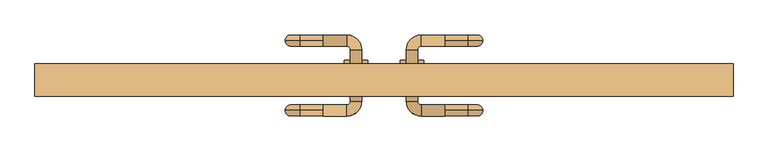
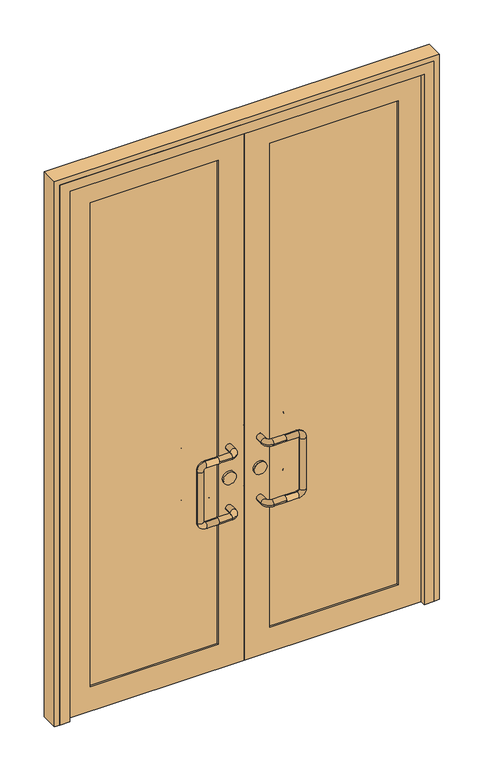
"""IFC4 building model written with IfcOpenShell, lengths in millimetres: door geometry."""

import ifcopenshell
import ifcopenshell.guid

model = None  # the IFC model being written
_history = None  # IfcOwnerHistory: only IFC2X3 demands one
_inside = {}  # id of a spatial element -> (the spatial element, [elements in it])
_under = {}  # id of a project, library or spatial element -> (it, [spatial elements below it])
_declared = {}  # id of a project -> (the project, [libraries it declares])
_typed = {}  # id of a type object -> (the type object, [elements of that type])
_made_of = {}  # id of a material, layer set ... -> (it, [elements and type objects made of it])


def new_model(schema):
    """Start an empty IFC model of exactly this schema.

    Asked for "IFC4X3", IfcOpenShell would pick the latest addendum, in which some entities
    have other attributes; the version numbers below select the first issue.
    IFC2X3 requires an IfcOwnerHistory on every rooted entity: one is made here for all.
    """
    global model, _history
    if schema == "IFC4X3":
        model = ifcopenshell.file(schema_version=(4, 3, 0, 0))
    else:
        model = ifcopenshell.file(schema=schema)
    _inside.clear()
    _under.clear()
    _declared.clear()
    _typed.clear()
    _made_of.clear()
    _history = None
    if model.schema == "IFC2X3":
        org = make("IfcOrganization", Name="unknown")
        user = make(
            "IfcPersonAndOrganization",
            ThePerson=make("IfcPerson", FamilyName="unknown"),
            TheOrganization=org,
        )
        app = make(
            "IfcApplication",
            ApplicationDeveloper=org,
            Version="unknown",
            ApplicationFullName="unknown",
            ApplicationIdentifier="unknown",
        )
        _history = make(
            "IfcOwnerHistory",
            OwningUser=user,
            OwningApplication=app,
            ChangeAction="ADDED",
            CreationDate=0,
        )
    return model


def make(cls, **values):
    """One entity of the class cls with the attributes given. An attribute that is None is left unset."""
    return model.create_entity(
        cls, **{name: value for name, value in values.items() if value is not None}
    )


def rooted(cls, **values):
    """An entity with a GlobalId (a new one), such as an element, a storey or a relation."""
    return make(cls, GlobalId=ifcopenshell.guid.new(), OwnerHistory=_history, **values)


def si_unit(unit_type, name, prefix=None):
    """IfcSIUnit, for example si_unit("LENGTHUNIT", "METRE", prefix="MILLI")."""
    return make("IfcSIUnit", UnitType=unit_type, Prefix=prefix, Name=name)


def assignment(units):
    """IfcUnitAssignment: the units of a project."""
    return None if units is None else make("IfcUnitAssignment", Units=units)


def point(xyz):
    """IfcCartesianPoint."""
    return None if xyz is None else make("IfcCartesianPoint", Coordinates=xyz)


def direction(xyz):
    """IfcDirection."""
    return None if xyz is None else make("IfcDirection", DirectionRatios=xyz)


def frame(location, z_axis=None, x_axis=None):
    """IfcAxis2Placement3D, a coordinate frame: its origin and axes. An axis left out is left unset."""
    return make(
        "IfcAxis2Placement3D",
        Location=point(location),
        Axis=direction(z_axis),
        RefDirection=direction(x_axis),
    )


def frame_2d(location, x_axis=None):
    """IfcAxis2Placement2D, a coordinate frame in the plane: its origin and x axis."""
    return make(
        "IfcAxis2Placement2D", Location=point(location), RefDirection=direction(x_axis)
    )


def origin():
    """The frame at (0, 0, 0) with its axes left unset."""
    return frame((0.0, 0.0, 0.0))


def place(relative_to, where):
    """IfcLocalPlacement: puts the frame where relative to a parent placement (None: the world)."""
    return make(
        "IfcLocalPlacement", PlacementRelTo=relative_to, RelativePlacement=where
    )


def context(
    kind, dimensions, precision=None, world=None, true_north=None, identifier=None
):
    """IfcGeometricRepresentationContext, for example the 3D "Model" context."""
    return make(
        "IfcGeometricRepresentationContext",
        ContextIdentifier=identifier,
        ContextType=kind,
        CoordinateSpaceDimension=dimensions,
        Precision=precision,
        WorldCoordinateSystem=world,
        TrueNorth=true_north,
    )


def project(units=None, contexts=None):
    """IfcProject with its units and contexts."""
    return rooted(
        "IfcProject",
        Name="project",
        RepresentationContexts=contexts,
        UnitsInContext=assignment(units),
    )


def spatial(cls, under=None, at=None, **own):
    """A site, building, storey or space (cls), placed at a placement, below another one or the project."""
    s = rooted(cls, ObjectPlacement=at, **own)
    if under is not None:
        _under.setdefault(under.id(), (under, []))[1].append(s)
    return s


def polyline(points):
    """IfcPolyline through the points."""
    return make("IfcPolyline", Points=[point(p) for p in points])


def circle_curve(where, radius):
    """IfcCircle in the frame where."""
    return make("IfcCircle", Position=where, Radius=radius)


def ellipse_curve(where, semi_axis1, semi_axis2):
    """IfcEllipse in the frame where."""
    return make(
        "IfcEllipse", Position=where, SemiAxis1=semi_axis1, SemiAxis2=semi_axis2
    )


def trimmed(basis, trim1, trim2, sense, master):
    """IfcTrimmedCurve: the piece of a basis curve between two trims."""
    return make(
        "IfcTrimmedCurve",
        BasisCurve=basis,
        Trim1=trim1,
        Trim2=trim2,
        SenseAgreement=sense,
        MasterRepresentation=master,
    )


def segment(curve, same_sense, transition):
    """IfcCompositeCurveSegment."""
    return make(
        "IfcCompositeCurveSegment",
        Transition=transition,
        SameSense=same_sense,
        ParentCurve=curve,
    )


def composite_curve(segments, self_intersect=None):
    """IfcCompositeCurve: segments joined end to end."""
    return make("IfcCompositeCurve", Segments=segments, SelfIntersect=self_intersect)


def outline(outer, holes=None, kind="AREA"):
    """IfcArbitraryClosedProfileDef: a profile drawn as a closed curve; with holes, ...WithVoids."""
    if holes is None:
        return make("IfcArbitraryClosedProfileDef", ProfileType=kind, OuterCurve=outer)
    return make(
        "IfcArbitraryProfileDefWithVoids",
        ProfileType=kind,
        OuterCurve=outer,
        InnerCurves=holes,
    )


def extrude(swept, where, along, depth):
    """IfcExtrudedAreaSolid: the profile swept, set in the frame where, extruded along a direction by depth."""
    return make(
        "IfcExtrudedAreaSolid",
        SweptArea=swept,
        Position=where,
        ExtrudedDirection=direction(along),
        Depth=depth,
    )


def faces_of(points, faces, orient=None, outer=None):
    """IfcFace entities. A face is a list of loops; a loop is a list of indices into points, from 0.

    orient and outer hold one flag for each loop. By default every Orientation is true, the
    first loop of a face is its IfcFaceOuterBound and the others are IfcFaceBound.
    """
    made = []
    for i, loops in enumerate(faces):
        bounds = []
        for j, loop in enumerate(loops):
            is_outer = j == 0 if outer is None else outer[i][j]
            bounds.append(
                make(
                    "IfcFaceOuterBound" if is_outer else "IfcFaceBound",
                    Bound=make("IfcPolyLoop", Polygon=[points[k] for k in loop]),
                    Orientation=True if orient is None else orient[i][j],
                )
            )
        made.append(make("IfcFace", Bounds=bounds))
    return made


def faceted_brep(points, faces, orient=None, outer=None, voids=None):
    """IfcFacetedBrep: a solid bounded by flat faces; with voids (closed shells), ...WithVoids."""
    shared = [point(p) for p in points]
    hull = make("IfcClosedShell", CfsFaces=faces_of(shared, faces, orient, outer))
    if voids is None:
        return make("IfcFacetedBrep", Outer=hull)
    return make(
        "IfcFacetedBrepWithVoids",
        Outer=hull,
        Voids=[
            make(cls, CfsFaces=faces_of(shared, fs, o, b)) for cls, fs, o, b in voids
        ],
    )


def shape(context_of_items, identifier, shape_type, items):
    """IfcShapeRepresentation: the items that make up one representation, for example the "Body"."""
    return make(
        "IfcShapeRepresentation",
        ContextOfItems=context_of_items,
        RepresentationIdentifier=identifier,
        RepresentationType=shape_type,
        Items=items,
    )


def source(mapping_origin, context_of_items, identifier, shape_type, items):
    """IfcRepresentationMap: a shape defined once, which mapped items show again and again."""
    return make(
        "IfcRepresentationMap",
        MappingOrigin=mapping_origin,
        MappedRepresentation=shape(context_of_items, identifier, shape_type, items),
    )


def transform(
    local_origin,
    x_axis=None,
    y_axis=None,
    z_axis=None,
    scale=None,
    scale2=None,
    scale3=None,
    uniform=True,
):
    """IfcCartesianTransformationOperator3D, or its non-uniform kind. x_axis, y_axis, z_axis: its Axis1, 2, 3."""
    if uniform:
        return make(
            "IfcCartesianTransformationOperator3D",
            Axis1=direction(x_axis),
            Axis2=direction(y_axis),
            LocalOrigin=point(local_origin),
            Scale=scale,
            Axis3=direction(z_axis),
        )
    return make(
        "IfcCartesianTransformationOperator3DnonUniform",
        Axis1=direction(x_axis),
        Axis2=direction(y_axis),
        LocalOrigin=point(local_origin),
        Scale=scale,
        Axis3=direction(z_axis),
        Scale2=scale2,
        Scale3=scale3,
    )


def mapped(mapping_source, mapping_target):
    """IfcMappedItem: shows the shape of a source again, moved by a transform."""
    return make(
        "IfcMappedItem", MappingSource=mapping_source, MappingTarget=mapping_target
    )


def made_of(thing, what):
    """Note that an element or type object is made of a material, layer set ...; save() writes the relation."""
    if what is not None:
        _made_of.setdefault(what.id(), (what, []))[1].append(thing)
    return thing


def element(
    cls,
    number,
    at=None,
    inside=None,
    cuts=None,
    type_object=None,
    material=None,
    context=None,
    identifier="Body",
    shape_type=None,
    held_by="IfcProductDefinitionShape",
    body=None,
    shapes=None,
    **own,
):
    """One element of the class cls, such as IfcWall. Its Tag is "e" and its number.

    at: its placement. inside: the storey or other place that contains it. cuts: it is an
    opening in that element (IfcRelVoidsElement). A single representation is given by context,
    identifier, shape_type and body (its items); several are given by shapes. held_by: the class
    of the entity that holds the representations. save() writes the other relations.
    """
    e = rooted(cls, Tag="e%d" % number, ObjectPlacement=at, **own)
    if body is not None:
        shapes = [shape(context, identifier, shape_type, body)]
    if shapes is not None:
        e.Representation = make(held_by, Representations=shapes)
    if inside is not None:
        _inside.setdefault(inside.id(), (inside, []))[1].append(e)
    if cuts is not None:
        rooted(
            "IfcRelVoidsElement", RelatingBuildingElement=cuts, RelatedOpeningElement=e
        )
    if type_object is not None:
        _typed.setdefault(type_object.id(), (type_object, []))[1].append(e)
    return made_of(e, material)


def aggregate(whole, parts):
    """IfcRelAggregates: a whole, such as a stair, and the parts it consists of."""
    return rooted("IfcRelAggregates", RelatingObject=whole, RelatedObjects=parts)


def save(model, path):
    """Write the relations noted so far, then the file.

    IfcRelAggregates (storeys below a building ...), IfcRelContainedInSpatialStructure (elements
    in a storey), IfcRelDefinesByType, IfcRelAssociatesMaterial and IfcRelDeclares: one each for
    every whole, place, type object, material and project.
    """
    for whole, parts in _under.values():
        aggregate(whole, parts)
    for where, things in _inside.values():
        rooted(
            "IfcRelContainedInSpatialStructure",
            RelatedElements=things,
            RelatingStructure=where,
        )
    for kind, things in _typed.values():
        rooted("IfcRelDefinesByType", RelatedObjects=things, RelatingType=kind)
    for what, things in _made_of.values():
        rooted("IfcRelAssociatesMaterial", RelatedObjects=things, RelatingMaterial=what)
    for by, libraries in _declared.values():
        rooted("IfcRelDeclares", RelatingContext=by, RelatedDefinitions=libraries)
    model.write(path)


def cylinder_surface(at, radius):
    """IfcCylindricalSurface: all points at the distance radius from the z axis of the frame at."""
    return make("IfcCylindricalSurface", Position=at, Radius=radius)


def revolved_surface(curve, axis_point, axis_direction):
    """IfcSurfaceOfRevolution: the curve turned about the line through axis_point along axis_direction."""
    return make(
        "IfcSurfaceOfRevolution",
        SweptCurve=make("IfcArbitraryOpenProfileDef", ProfileType="CURVE", Curve=curve),
        AxisPosition=make("IfcAxis1Placement", Location=point(axis_point), Axis=direction(axis_direction)),
    )


def advanced_brep(points, edges, surfaces, faces):
    """IfcAdvancedBrep: a solid bounded by faces that lie on surfaces and meet in shared edges.

    An edge is (start, end): straight between two places in points (the first is 0);
    or (start, end, curve); or (start, end, curve, False) where it runs against its curve.
    A face is (place in surfaces, loops), or (place, loops, False) where it looks against
    its surface's normal. A loop lists edges by number (the first is 1), with a minus sign
    where the edge is run from its end to its start. The first loop is the outer one.
    """
    corners = [point(p) for p in points]
    vertices = [make("IfcVertexPoint", VertexGeometry=c) for c in corners]
    made = []
    for start, end, *more in edges:
        made.append(
            make(
                "IfcEdgeCurve",
                EdgeStart=vertices[start],
                EdgeEnd=vertices[end],
                EdgeGeometry=more[0] if more else make("IfcPolyline", Points=[corners[start], corners[end]]),
                SameSense=more[1] if len(more) > 1 else True,
            )
        )
    hull = []
    for where, loops, *sense in faces:
        bounds = []
        for j, loop in enumerate(loops):
            ring = [make("IfcOrientedEdge", EdgeElement=made[abs(k) - 1], Orientation=k > 0) for k in loop]
            bounds.append(
                make(
                    "IfcFaceOuterBound" if j == 0 else "IfcFaceBound",
                    Bound=make("IfcEdgeLoop", EdgeList=ring),
                    Orientation=True,
                )
            )
        hull.append(make("IfcAdvancedFace", Bounds=bounds, FaceSurface=surfaces[where], SameSense=sense[0] if sense else True))
    return make("IfcAdvancedBrep", Outer=make("IfcClosedShell", CfsFaces=hull))


def door_2ea4ab71(model_context):
    return source(origin(), model_context, "Body", "SolidModel", [
        advanced_brep(
        [(-130.0, 152.0, 900.0), (-130.0, 140.0, 912.0), (-130.0, 128.0, 900.0), (-80.0, 128.0, 900.0), (-80.0, 152.0, 900.0), (-130.0, 140.0, 888.0), (-72.0, 120.0, 900.0), (-48.0, 120.0, 900.0), (-72.0, 10.0, 900.0), (-48.0, 10.0, 900.0), (-80.0, 2.0, 900.0), (-80.0, -22.0, 900.0), (-130.0, 2.0, 900.0), (-130.0, -10.0, 912.0), (-130.0, -22.0, 900.0), (-130.0, -10.0, 888.0), (-180.0, 140.0, 912.0), (-180.0, 140.0, 888.0), (-212.0, 140.0, 880.0), (-188.0, 140.0, 880.0), (-212.0, 140.0, 670.0), (-188.0, 140.0, 670.0), (-180.0, 140.0, 638.0), (-180.0, 140.0, 662.0), (-130.0, 140.0, 638.0), (-130.0, 128.0, 650.0), (-130.0, 140.0, 662.0), (-130.0, 152.0, 650.0), (-80.0, 128.0, 650.0), (-80.0, 152.0, 650.0), (-72.0, 120.0, 650.0), (-48.0, 120.0, 650.0), (-72.0, 10.0, 650.0), (-48.0, 10.0, 650.0), (-80.0, 2.0, 650.0), (-80.0, -22.0, 650.0), (-130.0, 2.0, 650.0), (-130.0, -10.0, 662.0), (-130.0, -22.0, 650.0), (-130.0, -10.0, 638.0), (-180.0, -10.0, 912.0), (-180.0, -10.0, 888.0), (-212.0, -10.0, 880.0), (-188.0, -10.0, 880.0), (-212.0, -10.0, 670.0), (-188.0, -10.0, 670.0), (-180.0, -10.0, 638.0), (-180.0, -10.0, 662.0)],
        [
            (0, 1, circle_curve(frame((-130.0, 140.0, 900.0), z_axis=(1.0, 0.0, 0.0), x_axis=(0.0, -1.0, 0.0)), 12.0)),
            (1, 2, circle_curve(frame((-130.0, 140.0, 900.0), z_axis=(1.0, 0.0, 0.0), x_axis=(0.0, -1.0, 0.0)), 12.0)),
            (2, 3),
            (3, 4, circle_curve(frame((-80.0, 140.0, 900.0), z_axis=(-1.0, 0.0, 0.0), x_axis=(0.0, -1.0, 0.0)), 12.0)),
            (4, 0),
            (4, 3, circle_curve(frame((-80.0, 140.0, 900.0), z_axis=(-1.0, 0.0, 0.0), x_axis=(0.0, -1.0, 0.0)), 12.0)),
            (2, 5, circle_curve(frame((-130.0, 140.0, 900.0), z_axis=(1.0, 0.0, 0.0), x_axis=(0.0, -1.0, 0.0)), 12.0)),
            (5, 0, circle_curve(frame((-130.0, 140.0, 900.0), z_axis=(1.0, 0.0, 0.0), x_axis=(0.0, -1.0, 0.0)), 12.0)),
            (3, 6, circle_curve(frame((-80.0, 120.0, 900.0), z_axis=(0.0, 0.0, -1.0), x_axis=(0.0, 1.0, 0.0)), 8.0)),
            (6, 7, circle_curve(frame((-60.0, 120.0, 900.0), z_axis=(0.0, 1.0, 0.0), x_axis=(-1.0, 0.0, 0.0)), 12.0)),
            (7, 4, circle_curve(frame((-80.0, 120.0, 900.0), z_axis=(0.0, 0.0, 1.0), x_axis=(0.0, 1.0, 0.0)), 32.0)),
            (7, 6, circle_curve(frame((-60.0, 120.0, 900.0), z_axis=(0.0, 1.0, 0.0), x_axis=(-1.0, 0.0, 0.0)), 12.0)),
            (6, 8),
            (8, 9, circle_curve(frame((-60.0, 10.0, 900.0), z_axis=(0.0, 1.0, 0.0), x_axis=(-1.0, 0.0, 0.0)), 12.0)),
            (9, 7),
            (9, 8, circle_curve(frame((-60.0, 10.0, 900.0), z_axis=(0.0, 1.0, 0.0), x_axis=(-1.0, 0.0, 0.0)), 12.0)),
            (8, 10, circle_curve(frame((-80.0, 10.0, 900.0), z_axis=(0.0, 0.0, -1.0), x_axis=(1.0, 0.0, 0.0)), 8.0)),
            (10, 11, circle_curve(frame((-80.0, -10.0, 900.0), z_axis=(1.0, 0.0, 0.0), x_axis=(0.0, 1.0, 0.0)), 12.0)),
            (11, 9, circle_curve(frame((-80.0, 10.0, 900.0), z_axis=(0.0, 0.0, 1.0), x_axis=(1.0, 0.0, 0.0)), 32.0)),
            (11, 10, circle_curve(frame((-80.0, -10.0, 900.0), z_axis=(1.0, 0.0, 0.0), x_axis=(0.0, 1.0, 0.0)), 12.0)),
            (10, 12),
            (12, 13, circle_curve(frame((-130.0, -10.0, 900.0), z_axis=(1.0, 0.0, 0.0), x_axis=(0.0, 1.0, 0.0)), 12.0)),
            (13, 14, circle_curve(frame((-130.0, -10.0, 900.0), z_axis=(1.0, 0.0, 0.0), x_axis=(0.0, 1.0, 0.0)), 12.0)),
            (14, 11),
            (14, 15, circle_curve(frame((-130.0, -10.0, 900.0), z_axis=(1.0, 0.0, 0.0), x_axis=(0.0, 1.0, 0.0)), 12.0)),
            (15, 12, circle_curve(frame((-130.0, -10.0, 900.0), z_axis=(1.0, 0.0, 0.0), x_axis=(0.0, 1.0, 0.0)), 12.0)),
            (1, 16),
            (16, 17, circle_curve(frame((-180.0, 140.0, 900.0), z_axis=(1.0, 0.0, 0.0), x_axis=(0.0, 0.0, 1.0)), 12.0)),
            (17, 5),
            (17, 16, circle_curve(frame((-180.0, 140.0, 900.0), z_axis=(1.0, 0.0, 0.0), x_axis=(0.0, 0.0, 1.0)), 12.0)),
            (16, 18, circle_curve(frame((-180.0, 140.0, 880.0), z_axis=(0.0, -1.0, 0.0), x_axis=(0.0, 0.0, 1.0)), 32.0)),
            (18, 19, circle_curve(frame((-200.0, 140.0, 880.0), z_axis=(0.0, 0.0, 1.0), x_axis=(-1.0, 0.0, 0.0)), 12.0)),
            (19, 17, circle_curve(frame((-180.0, 140.0, 880.0), z_axis=(0.0, 1.0, 0.0), x_axis=(0.0, 0.0, 1.0)), 8.0)),
            (19, 18, circle_curve(frame((-200.0, 140.0, 880.0), z_axis=(0.0, 0.0, 1.0), x_axis=(-1.0, 0.0, 0.0)), 12.0)),
            (18, 20),
            (20, 21, circle_curve(frame((-200.0, 140.0, 670.0), z_axis=(0.0, 0.0, 1.0), x_axis=(-1.0, 0.0, 0.0)), 12.0)),
            (21, 19),
            (21, 20, circle_curve(frame((-200.0, 140.0, 670.0), z_axis=(0.0, 0.0, 1.0), x_axis=(-1.0, 0.0, 0.0)), 12.0)),
            (20, 22, circle_curve(frame((-180.0, 140.0, 670.0), z_axis=(0.0, -1.0, 0.0), x_axis=(-1.0, 0.0, 0.0)), 32.0)),
            (22, 23, circle_curve(frame((-180.0, 140.0, 650.0), z_axis=(-1.0, 0.0, 0.0), x_axis=(0.0, 0.0, -1.0)), 12.0)),
            (23, 21, circle_curve(frame((-180.0, 140.0, 670.0), z_axis=(0.0, 1.0, 0.0), x_axis=(-1.0, 0.0, 0.0)), 8.0)),
            (23, 22, circle_curve(frame((-180.0, 140.0, 650.0), z_axis=(-1.0, 0.0, 0.0), x_axis=(0.0, 0.0, -1.0)), 12.0)),
            (22, 24),
            (24, 25, circle_curve(frame((-130.0, 140.0, 650.0), z_axis=(-1.0, 0.0, 0.0), x_axis=(0.0, 0.0, -1.0)), 12.0)),
            (25, 26, circle_curve(frame((-130.0, 140.0, 650.0), z_axis=(-1.0, 0.0, 0.0), x_axis=(0.0, 0.0, -1.0)), 12.0)),
            (26, 23),
            (26, 27, circle_curve(frame((-130.0, 140.0, 650.0), z_axis=(-1.0, 0.0, 0.0), x_axis=(0.0, 0.0, -1.0)), 12.0)),
            (27, 24, circle_curve(frame((-130.0, 140.0, 650.0), z_axis=(-1.0, 0.0, 0.0), x_axis=(0.0, 0.0, -1.0)), 12.0)),
            (25, 28),
            (28, 29, circle_curve(frame((-80.0, 140.0, 650.0), z_axis=(-1.0, 0.0, 0.0), x_axis=(0.0, -1.0, 0.0)), 12.0)),
            (29, 27),
            (29, 28, circle_curve(frame((-80.0, 140.0, 650.0), z_axis=(-1.0, 0.0, 0.0), x_axis=(0.0, -1.0, 0.0)), 12.0)),
            (28, 30, circle_curve(frame((-80.0, 120.0, 650.0), z_axis=(0.0, 0.0, -1.0), x_axis=(0.0, 1.0, 0.0)), 8.0)),
            (30, 31, circle_curve(frame((-60.0, 120.0, 650.0), z_axis=(0.0, 1.0, 0.0), x_axis=(-1.0, 0.0, 0.0)), 12.0)),
            (31, 29, circle_curve(frame((-80.0, 120.0, 650.0), z_axis=(0.0, 0.0, 1.0), x_axis=(0.0, 1.0, 0.0)), 32.0)),
            (31, 30, circle_curve(frame((-60.0, 120.0, 650.0), z_axis=(0.0, 1.0, 0.0), x_axis=(-1.0, 0.0, 0.0)), 12.0)),
            (30, 32),
            (32, 33, circle_curve(frame((-60.0, 10.0, 650.0), z_axis=(0.0, 1.0, 0.0), x_axis=(-1.0, 0.0, 0.0)), 12.0)),
            (33, 31),
            (33, 32, circle_curve(frame((-60.0, 10.0, 650.0), z_axis=(0.0, 1.0, 0.0), x_axis=(-1.0, 0.0, 0.0)), 12.0)),
            (32, 34, circle_curve(frame((-80.0, 10.0, 650.0), z_axis=(0.0, 0.0, -1.0), x_axis=(1.0, 0.0, 0.0)), 8.0)),
            (34, 35, circle_curve(frame((-80.0, -10.0, 650.0), z_axis=(1.0, 0.0, 0.0), x_axis=(0.0, 1.0, 0.0)), 12.0)),
            (35, 33, circle_curve(frame((-80.0, 10.0, 650.0), z_axis=(0.0, 0.0, 1.0), x_axis=(1.0, 0.0, 0.0)), 32.0)),
            (35, 34, circle_curve(frame((-80.0, -10.0, 650.0), z_axis=(1.0, 0.0, 0.0), x_axis=(0.0, 1.0, 0.0)), 12.0)),
            (34, 36),
            (36, 37, circle_curve(frame((-130.0, -10.0, 650.0), z_axis=(1.0, 0.0, 0.0), x_axis=(0.0, 1.0, 0.0)), 12.0)),
            (37, 38, circle_curve(frame((-130.0, -10.0, 650.0), z_axis=(1.0, 0.0, 0.0), x_axis=(0.0, 1.0, 0.0)), 12.0)),
            (38, 35),
            (38, 39, circle_curve(frame((-130.0, -10.0, 650.0), z_axis=(1.0, 0.0, 0.0), x_axis=(0.0, 1.0, 0.0)), 12.0)),
            (39, 36, circle_curve(frame((-130.0, -10.0, 650.0), z_axis=(1.0, 0.0, 0.0), x_axis=(0.0, 1.0, 0.0)), 12.0)),
            (13, 40),
            (40, 41, circle_curve(frame((-180.0, -10.0, 900.0), z_axis=(1.0, 0.0, 0.0), x_axis=(0.0, 0.0, 1.0)), 12.0)),
            (41, 15),
            (41, 40, circle_curve(frame((-180.0, -10.0, 900.0), z_axis=(1.0, 0.0, 0.0), x_axis=(0.0, 0.0, 1.0)), 12.0)),
            (40, 42, circle_curve(frame((-180.0, -10.0, 880.0), z_axis=(0.0, -1.0, 0.0), x_axis=(0.0, 0.0, 1.0)), 32.0)),
            (42, 43, circle_curve(frame((-200.0, -10.0, 880.0), z_axis=(0.0, 0.0, 1.0), x_axis=(-1.0, 0.0, 0.0)), 12.0)),
            (43, 41, circle_curve(frame((-180.0, -10.0, 880.0), z_axis=(0.0, 1.0, 0.0), x_axis=(0.0, 0.0, 1.0)), 8.0)),
            (43, 42, circle_curve(frame((-200.0, -10.0, 880.0), z_axis=(0.0, 0.0, 1.0), x_axis=(-1.0, 0.0, 0.0)), 12.0)),
            (42, 44),
            (44, 45, circle_curve(frame((-200.0, -10.0, 670.0), z_axis=(0.0, 0.0, 1.0), x_axis=(-1.0, 0.0, 0.0)), 12.0)),
            (45, 43),
            (45, 44, circle_curve(frame((-200.0, -10.0, 670.0), z_axis=(0.0, 0.0, 1.0), x_axis=(-1.0, 0.0, 0.0)), 12.0)),
            (44, 46, circle_curve(frame((-180.0, -10.0, 670.0), z_axis=(0.0, -1.0, 0.0), x_axis=(-1.0, 0.0, 0.0)), 32.0)),
            (46, 47, circle_curve(frame((-180.0, -10.0, 650.0), z_axis=(-1.0, 0.0, 0.0), x_axis=(0.0, 0.0, -1.0)), 12.0)),
            (47, 45, circle_curve(frame((-180.0, -10.0, 670.0), z_axis=(0.0, 1.0, 0.0), x_axis=(-1.0, 0.0, 0.0)), 8.0)),
            (47, 46, circle_curve(frame((-180.0, -10.0, 650.0), z_axis=(-1.0, 0.0, 0.0), x_axis=(0.0, 0.0, -1.0)), 12.0)),
            (46, 39),
            (37, 47),
        ],
        [
            cylinder_surface(frame((-130.0, 140.0, 900.0), z_axis=(-1.0, 0.0, 0.0), x_axis=(0.0, -1.0, 0.0)), 12.0),
            revolved_surface(trimmed(ellipse_curve(frame((-80.0, 140.0, 900.0), z_axis=(1.0, 0.0, 0.0), x_axis=(0.0, -1.0, 0.0)), 12.0, 12.0), [point((-80.0, 152.0, 900.0))], [point((-80.0, 128.0, 900.0))], True, "CARTESIAN"), (-80.0, 120.0, 900.0), (0.0, 0.0, 1.0)),
            revolved_surface(trimmed(ellipse_curve(frame((-80.0, 140.0, 900.0), z_axis=(1.0, 0.0, 0.0), x_axis=(0.0, -1.0, 0.0)), 12.0, 12.0), [point((-80.0, 128.0, 900.0))], [point((-80.0, 152.0, 900.0))], True, "CARTESIAN"), (-80.0, 120.0, 900.0), (0.0, 0.0, 1.0)),
            cylinder_surface(frame((-60.0, 120.0, 900.0), z_axis=(0.0, 1.0, 0.0), x_axis=(-1.0, 0.0, 0.0)), 12.0),
            revolved_surface(trimmed(ellipse_curve(frame((-60.0, 10.0, 900.0), z_axis=(0.0, -1.0, 0.0), x_axis=(-1.0, 0.0, 0.0)), 12.0, 12.0), [point((-48.0, 10.0, 900.0))], [point((-72.0, 10.0, 900.0))], True, "CARTESIAN"), (-80.0, 10.0, 900.0), (0.0, 0.0, 1.0)),
            revolved_surface(trimmed(ellipse_curve(frame((-60.0, 10.0, 900.0), z_axis=(0.0, -1.0, 0.0), x_axis=(-1.0, 0.0, 0.0)), 12.0, 12.0), [point((-72.0, 10.0, 900.0))], [point((-48.0, 10.0, 900.0))], True, "CARTESIAN"), (-80.0, 10.0, 900.0), (0.0, 0.0, 1.0)),
            cylinder_surface(frame((-80.0, -10.0, 900.0), z_axis=(1.0, 0.0, 0.0), x_axis=(0.0, 1.0, 0.0)), 12.0),
            cylinder_surface(frame((-130.0, 140.0, 900.0), z_axis=(1.0, 0.0, 0.0), x_axis=(0.0, 0.0, 1.0)), 12.0),
            revolved_surface(trimmed(ellipse_curve(frame((-180.0, 140.0, 900.0), z_axis=(-1.0, 0.0, 0.0), x_axis=(0.0, 0.0, 1.0)), 12.0, 12.0), [point((-180.0, 140.0, 888.0))], [point((-180.0, 140.0, 912.0))], True, "CARTESIAN"), (-180.0, 140.0, 880.0), (0.0, 1.0, 0.0)),
            revolved_surface(trimmed(ellipse_curve(frame((-180.0, 140.0, 900.0), z_axis=(-1.0, 0.0, 0.0), x_axis=(0.0, 0.0, 1.0)), 12.0, 12.0), [point((-180.0, 140.0, 912.0))], [point((-180.0, 140.0, 888.0))], True, "CARTESIAN"), (-180.0, 140.0, 880.0), (0.0, 1.0, 0.0)),
            cylinder_surface(frame((-200.0, 140.0, 880.0), z_axis=(0.0, 0.0, 1.0), x_axis=(-1.0, 0.0, 0.0)), 12.0),
            revolved_surface(trimmed(ellipse_curve(frame((-200.0, 140.0, 670.0), z_axis=(0.0, 0.0, -1.0), x_axis=(-1.0, 0.0, 0.0)), 12.0, 12.0), [point((-188.0, 140.0, 670.0))], [point((-212.0, 140.0, 670.0))], True, "CARTESIAN"), (-180.0, 140.0, 670.0), (0.0, 1.0, 0.0)),
            revolved_surface(trimmed(ellipse_curve(frame((-200.0, 140.0, 670.0), z_axis=(0.0, 0.0, -1.0), x_axis=(-1.0, 0.0, 0.0)), 12.0, 12.0), [point((-212.0, 140.0, 670.0))], [point((-188.0, 140.0, 670.0))], True, "CARTESIAN"), (-180.0, 140.0, 670.0), (0.0, 1.0, 0.0)),
            cylinder_surface(frame((-180.0, 140.0, 650.0), z_axis=(-1.0, 0.0, 0.0), x_axis=(0.0, 0.0, -1.0)), 12.0),
            cylinder_surface(frame((-130.0, 140.0, 650.0), z_axis=(-1.0, 0.0, 0.0), x_axis=(0.0, -1.0, 0.0)), 12.0),
            revolved_surface(trimmed(ellipse_curve(frame((-80.0, 140.0, 650.0), z_axis=(1.0, 0.0, 0.0), x_axis=(0.0, -1.0, 0.0)), 12.0, 12.0), [point((-80.0, 152.0, 650.0))], [point((-80.0, 128.0, 650.0))], True, "CARTESIAN"), (-80.0, 120.0, 650.0), (0.0, 0.0, 1.0)),
            revolved_surface(trimmed(ellipse_curve(frame((-80.0, 140.0, 650.0), z_axis=(1.0, 0.0, 0.0), x_axis=(0.0, -1.0, 0.0)), 12.0, 12.0), [point((-80.0, 128.0, 650.0))], [point((-80.0, 152.0, 650.0))], True, "CARTESIAN"), (-80.0, 120.0, 650.0), (0.0, 0.0, 1.0)),
            cylinder_surface(frame((-60.0, 120.0, 650.0), z_axis=(0.0, 1.0, 0.0), x_axis=(-1.0, 0.0, 0.0)), 12.0),
            revolved_surface(trimmed(ellipse_curve(frame((-60.0, 10.0, 650.0), z_axis=(0.0, -1.0, 0.0), x_axis=(-1.0, 0.0, 0.0)), 12.0, 12.0), [point((-48.0, 10.0, 650.0))], [point((-72.0, 10.0, 650.0))], True, "CARTESIAN"), (-80.0, 10.0, 650.0), (0.0, 0.0, 1.0)),
            revolved_surface(trimmed(ellipse_curve(frame((-60.0, 10.0, 650.0), z_axis=(0.0, -1.0, 0.0), x_axis=(-1.0, 0.0, 0.0)), 12.0, 12.0), [point((-72.0, 10.0, 650.0))], [point((-48.0, 10.0, 650.0))], True, "CARTESIAN"), (-80.0, 10.0, 650.0), (0.0, 0.0, 1.0)),
            cylinder_surface(frame((-80.0, -10.0, 650.0), z_axis=(1.0, 0.0, 0.0), x_axis=(0.0, 1.0, 0.0)), 12.0),
            cylinder_surface(frame((-130.0, -10.0, 900.0), z_axis=(1.0, 0.0, 0.0), x_axis=(0.0, 0.0, 1.0)), 12.0),
            revolved_surface(trimmed(ellipse_curve(frame((-180.0, -10.0, 900.0), z_axis=(-1.0, 0.0, 0.0), x_axis=(0.0, 0.0, 1.0)), 12.0, 12.0), [point((-180.0, -10.0, 888.0))], [point((-180.0, -10.0, 912.0))], True, "CARTESIAN"), (-180.0, -10.0, 880.0), (0.0, 1.0, 0.0)),
            revolved_surface(trimmed(ellipse_curve(frame((-180.0, -10.0, 900.0), z_axis=(-1.0, 0.0, 0.0), x_axis=(0.0, 0.0, 1.0)), 12.0, 12.0), [point((-180.0, -10.0, 912.0))], [point((-180.0, -10.0, 888.0))], True, "CARTESIAN"), (-180.0, -10.0, 880.0), (0.0, 1.0, 0.0)),
            cylinder_surface(frame((-200.0, -10.0, 880.0), z_axis=(0.0, 0.0, 1.0), x_axis=(-1.0, 0.0, 0.0)), 12.0),
            revolved_surface(trimmed(ellipse_curve(frame((-200.0, -10.0, 670.0), z_axis=(0.0, 0.0, -1.0), x_axis=(-1.0, 0.0, 0.0)), 12.0, 12.0), [point((-188.0, -10.0, 670.0))], [point((-212.0, -10.0, 670.0))], True, "CARTESIAN"), (-180.0, -10.0, 670.0), (0.0, 1.0, 0.0)),
            revolved_surface(trimmed(ellipse_curve(frame((-200.0, -10.0, 670.0), z_axis=(0.0, 0.0, -1.0), x_axis=(-1.0, 0.0, 0.0)), 12.0, 12.0), [point((-212.0, -10.0, 670.0))], [point((-188.0, -10.0, 670.0))], True, "CARTESIAN"), (-180.0, -10.0, 670.0), (0.0, 1.0, 0.0)),
            cylinder_surface(frame((-180.0, -10.0, 650.0), z_axis=(-1.0, 0.0, 0.0), x_axis=(0.0, 0.0, -1.0)), 12.0),
        ],
        [
            (0, [[1, 2, 3, 4, 5]]),
            (0, [[6, -3, 7, 8, -5]]),
            (1, [[9, 10, 11, -4]]),
            (2, [[-11, 12, -9, -6]]),
            (3, [[13, 14, 15, -10]]),
            (3, [[-15, 16, -13, -12]]),
            (4, [[17, 18, 19, -14]]),
            (5, [[-19, 20, -17, -16]]),
            (6, [[21, 22, 23, 24, -18]]),
            (6, [[-24, 25, 26, -21, -20]]),
            (7, [[-7, -2, 27, 28, 29]]),
            (7, [[30, -27, -1, -8, -29]]),
            (8, [[31, 32, 33, -28]]),
            (9, [[-33, 34, -31, -30]]),
            (10, [[35, 36, 37, -32]]),
            (10, [[-37, 38, -35, -34]]),
            (11, [[39, 40, 41, -36]]),
            (12, [[-41, 42, -39, -38]]),
            (13, [[43, 44, 45, 46, -40]]),
            (13, [[-46, 47, 48, -43, -42]]),
            (14, [[-47, -45, 49, 50, 51]]),
            (14, [[52, -49, -44, -48, -51]]),
            (15, [[53, 54, 55, -50]]),
            (16, [[-55, 56, -53, -52]]),
            (17, [[57, 58, 59, -54]]),
            (17, [[-59, 60, -57, -56]]),
            (18, [[61, 62, 63, -58]]),
            (19, [[-63, 64, -61, -60]]),
            (20, [[65, 66, 67, 68, -62]]),
            (20, [[-68, 69, 70, -65, -64]]),
            (21, [[-25, -23, 71, 72, 73]]),
            (21, [[74, -71, -22, -26, -73]]),
            (22, [[75, 76, 77, -72]]),
            (23, [[-77, 78, -75, -74]]),
            (24, [[79, 80, 81, -76]]),
            (24, [[-81, 82, -79, -78]]),
            (25, [[83, 84, 85, -80]]),
            (26, [[-85, 86, -83, -82]]),
            (27, [[87, -69, -67, 88, -84]]),
            (27, [[-88, -66, -70, -87, -86]]),
        ],
    ),
        extrude(outline(composite_curve([segment(trimmed(circle_curve(frame_2d((775.0, -60.0)), 25.0), [point((775.0, -35.0))], [point((775.0, -85.0))], False, "CARTESIAN"), True, "CONTINUOUS"), segment(trimmed(circle_curve(frame_2d((775.0, -60.0)), 25.0), [point((775.0, -85.0))], [point((775.0, -35.0))], False, "CARTESIAN"), True, "CONTINUOUS")], self_intersect=False)), frame((0.0, 32.0, 0.0), z_axis=(0.0, 1.0, 0.0), x_axis=(0.0, 0.0, 1.0)), (0.0, 0.0, 1.0), 66.0),
        advanced_brep(
        [(130.0, 152.0, 900.0), (80.0, 152.0, 900.0), (80.0, 128.0, 900.0), (130.0, 128.0, 900.0), (130.0, 140.0, 912.0), (130.0, 140.0, 888.0), (48.0, 120.0, 900.0), (72.0, 120.0, 900.0), (48.0, 10.0, 900.0), (72.0, 10.0, 900.0), (80.0, -22.0, 900.0), (80.0, 2.0, 900.0), (130.0, -22.0, 900.0), (130.0, -10.0, 912.0), (130.0, 2.0, 900.0), (130.0, -10.0, 888.0), (180.0, 140.0, 888.0), (180.0, 140.0, 912.0), (188.0, 140.0, 880.0), (212.0, 140.0, 880.0), (188.0, 140.0, 670.0), (212.0, 140.0, 670.0), (180.0, 140.0, 662.0), (180.0, 140.0, 638.0), (130.0, 140.0, 662.0), (130.0, 128.0, 650.0), (130.0, 140.0, 638.0), (130.0, 152.0, 650.0), (80.0, 152.0, 650.0), (80.0, 128.0, 650.0), (48.0, 120.0, 650.0), (72.0, 120.0, 650.0), (48.0, 10.0, 650.0), (72.0, 10.0, 650.0), (80.0, -22.0, 650.0), (80.0, 2.0, 650.0), (130.0, -22.0, 650.0), (130.0, -10.0, 662.0), (130.0, 2.0, 650.0), (130.0, -10.0, 638.0), (180.0, -10.0, 888.0), (180.0, -10.0, 912.0), (188.0, -10.0, 880.0), (212.0, -10.0, 880.0), (188.0, -10.0, 670.0), (212.0, -10.0, 670.0), (180.0, -10.0, 662.0), (180.0, -10.0, 638.0)],
        [
            (0, 1),
            (1, 2, circle_curve(frame((80.0, 140.0, 900.0), z_axis=(1.0, 0.0, 0.0), x_axis=(0.0, -1.0, 0.0)), 12.0)),
            (2, 3),
            (3, 4, circle_curve(frame((130.0, 140.0, 900.0), z_axis=(-1.0, 0.0, 0.0), x_axis=(0.0, -1.0, 0.0)), 12.0)),
            (4, 0, circle_curve(frame((130.0, 140.0, 900.0), z_axis=(-1.0, 0.0, 0.0), x_axis=(0.0, -1.0, 0.0)), 12.0)),
            (0, 5, circle_curve(frame((130.0, 140.0, 900.0), z_axis=(-1.0, 0.0, 0.0), x_axis=(0.0, -1.0, 0.0)), 12.0)),
            (5, 3, circle_curve(frame((130.0, 140.0, 900.0), z_axis=(-1.0, 0.0, 0.0), x_axis=(0.0, -1.0, 0.0)), 12.0)),
            (2, 1, circle_curve(frame((80.0, 140.0, 900.0), z_axis=(1.0, 0.0, 0.0), x_axis=(0.0, -1.0, 0.0)), 12.0)),
            (1, 6, circle_curve(frame((80.0, 120.0, 900.0), z_axis=(0.0, 0.0, 1.0), x_axis=(0.0, 1.0, 0.0)), 32.0)),
            (6, 7, circle_curve(frame((60.0, 120.0, 900.0), z_axis=(0.0, 1.0, 0.0), x_axis=(1.0, 0.0, 0.0)), 12.0)),
            (7, 2, circle_curve(frame((80.0, 120.0, 900.0), z_axis=(0.0, 0.0, -1.0), x_axis=(0.0, 1.0, 0.0)), 8.0)),
            (7, 6, circle_curve(frame((60.0, 120.0, 900.0), z_axis=(0.0, 1.0, 0.0), x_axis=(1.0, 0.0, 0.0)), 12.0)),
            (6, 8),
            (8, 9, circle_curve(frame((60.0, 10.0, 900.0), z_axis=(0.0, 1.0, 0.0), x_axis=(1.0, 0.0, 0.0)), 12.0)),
            (9, 7),
            (9, 8, circle_curve(frame((60.0, 10.0, 900.0), z_axis=(0.0, 1.0, 0.0), x_axis=(1.0, 0.0, 0.0)), 12.0)),
            (8, 10, circle_curve(frame((80.0, 10.0, 900.0), z_axis=(0.0, 0.0, 1.0), x_axis=(-1.0, 0.0, 0.0)), 32.0)),
            (10, 11, circle_curve(frame((80.0, -10.0, 900.0), z_axis=(-1.0, 0.0, 0.0), x_axis=(0.0, 1.0, 0.0)), 12.0)),
            (11, 9, circle_curve(frame((80.0, 10.0, 900.0), z_axis=(0.0, 0.0, -1.0), x_axis=(-1.0, 0.0, 0.0)), 8.0)),
            (11, 10, circle_curve(frame((80.0, -10.0, 900.0), z_axis=(-1.0, 0.0, 0.0), x_axis=(0.0, 1.0, 0.0)), 12.0)),
            (10, 12),
            (12, 13, circle_curve(frame((130.0, -10.0, 900.0), z_axis=(-1.0, 0.0, 0.0), x_axis=(0.0, 1.0, 0.0)), 12.0)),
            (13, 14, circle_curve(frame((130.0, -10.0, 900.0), z_axis=(-1.0, 0.0, 0.0), x_axis=(0.0, 1.0, 0.0)), 12.0)),
            (14, 11),
            (14, 15, circle_curve(frame((130.0, -10.0, 900.0), z_axis=(-1.0, 0.0, 0.0), x_axis=(0.0, 1.0, 0.0)), 12.0)),
            (15, 12, circle_curve(frame((130.0, -10.0, 900.0), z_axis=(-1.0, 0.0, 0.0), x_axis=(0.0, 1.0, 0.0)), 12.0)),
            (5, 16),
            (16, 17, circle_curve(frame((180.0, 140.0, 900.0), z_axis=(-1.0, 0.0, 0.0), x_axis=(0.0, 0.0, 1.0)), 12.0)),
            (17, 4),
            (17, 16, circle_curve(frame((180.0, 140.0, 900.0), z_axis=(-1.0, 0.0, 0.0), x_axis=(0.0, 0.0, 1.0)), 12.0)),
            (16, 18, circle_curve(frame((180.0, 140.0, 880.0), z_axis=(0.0, 1.0, 0.0), x_axis=(0.0, 0.0, 1.0)), 8.0)),
            (18, 19, circle_curve(frame((200.0, 140.0, 880.0), z_axis=(0.0, 0.0, 1.0), x_axis=(1.0, 0.0, 0.0)), 12.0)),
            (19, 17, circle_curve(frame((180.0, 140.0, 880.0), z_axis=(0.0, -1.0, 0.0), x_axis=(0.0, 0.0, 1.0)), 32.0)),
            (19, 18, circle_curve(frame((200.0, 140.0, 880.0), z_axis=(0.0, 0.0, 1.0), x_axis=(1.0, 0.0, 0.0)), 12.0)),
            (18, 20),
            (20, 21, circle_curve(frame((200.0, 140.0, 670.0), z_axis=(0.0, 0.0, 1.0), x_axis=(1.0, 0.0, 0.0)), 12.0)),
            (21, 19),
            (21, 20, circle_curve(frame((200.0, 140.0, 670.0), z_axis=(0.0, 0.0, 1.0), x_axis=(1.0, 0.0, 0.0)), 12.0)),
            (20, 22, circle_curve(frame((180.0, 140.0, 670.0), z_axis=(0.0, 1.0, 0.0), x_axis=(1.0, 0.0, 0.0)), 8.0)),
            (22, 23, circle_curve(frame((180.0, 140.0, 650.0), z_axis=(1.0, 0.0, 0.0), x_axis=(0.0, 0.0, -1.0)), 12.0)),
            (23, 21, circle_curve(frame((180.0, 140.0, 670.0), z_axis=(0.0, -1.0, 0.0), x_axis=(1.0, 0.0, 0.0)), 32.0)),
            (23, 22, circle_curve(frame((180.0, 140.0, 650.0), z_axis=(1.0, 0.0, 0.0), x_axis=(0.0, 0.0, -1.0)), 12.0)),
            (22, 24),
            (24, 25, circle_curve(frame((130.0, 140.0, 650.0), z_axis=(1.0, 0.0, 0.0), x_axis=(0.0, 0.0, -1.0)), 12.0)),
            (25, 26, circle_curve(frame((130.0, 140.0, 650.0), z_axis=(1.0, 0.0, 0.0), x_axis=(0.0, 0.0, -1.0)), 12.0)),
            (26, 23),
            (26, 27, circle_curve(frame((130.0, 140.0, 650.0), z_axis=(1.0, 0.0, 0.0), x_axis=(0.0, 0.0, -1.0)), 12.0)),
            (27, 24, circle_curve(frame((130.0, 140.0, 650.0), z_axis=(1.0, 0.0, 0.0), x_axis=(0.0, 0.0, -1.0)), 12.0)),
            (27, 28),
            (28, 29, circle_curve(frame((80.0, 140.0, 650.0), z_axis=(1.0, 0.0, 0.0), x_axis=(0.0, -1.0, 0.0)), 12.0)),
            (29, 25),
            (29, 28, circle_curve(frame((80.0, 140.0, 650.0), z_axis=(1.0, 0.0, 0.0), x_axis=(0.0, -1.0, 0.0)), 12.0)),
            (28, 30, circle_curve(frame((80.0, 120.0, 650.0), z_axis=(0.0, 0.0, 1.0), x_axis=(0.0, 1.0, 0.0)), 32.0)),
            (30, 31, circle_curve(frame((60.0, 120.0, 650.0), z_axis=(0.0, 1.0, 0.0), x_axis=(1.0, 0.0, 0.0)), 12.0)),
            (31, 29, circle_curve(frame((80.0, 120.0, 650.0), z_axis=(0.0, 0.0, -1.0), x_axis=(0.0, 1.0, 0.0)), 8.0)),
            (31, 30, circle_curve(frame((60.0, 120.0, 650.0), z_axis=(0.0, 1.0, 0.0), x_axis=(1.0, 0.0, 0.0)), 12.0)),
            (30, 32),
            (32, 33, circle_curve(frame((60.0, 10.0, 650.0), z_axis=(0.0, 1.0, 0.0), x_axis=(1.0, 0.0, 0.0)), 12.0)),
            (33, 31),
            (33, 32, circle_curve(frame((60.0, 10.0, 650.0), z_axis=(0.0, 1.0, 0.0), x_axis=(1.0, 0.0, 0.0)), 12.0)),
            (32, 34, circle_curve(frame((80.0, 10.0, 650.0), z_axis=(0.0, 0.0, 1.0), x_axis=(-1.0, 0.0, 0.0)), 32.0)),
            (34, 35, circle_curve(frame((80.0, -10.0, 650.0), z_axis=(-1.0, 0.0, 0.0), x_axis=(0.0, 1.0, 0.0)), 12.0)),
            (35, 33, circle_curve(frame((80.0, 10.0, 650.0), z_axis=(0.0, 0.0, -1.0), x_axis=(-1.0, 0.0, 0.0)), 8.0)),
            (35, 34, circle_curve(frame((80.0, -10.0, 650.0), z_axis=(-1.0, 0.0, 0.0), x_axis=(0.0, 1.0, 0.0)), 12.0)),
            (34, 36),
            (36, 37, circle_curve(frame((130.0, -10.0, 650.0), z_axis=(-1.0, 0.0, 0.0), x_axis=(0.0, 1.0, 0.0)), 12.0)),
            (37, 38, circle_curve(frame((130.0, -10.0, 650.0), z_axis=(-1.0, 0.0, 0.0), x_axis=(0.0, 1.0, 0.0)), 12.0)),
            (38, 35),
            (38, 39, circle_curve(frame((130.0, -10.0, 650.0), z_axis=(-1.0, 0.0, 0.0), x_axis=(0.0, 1.0, 0.0)), 12.0)),
            (39, 36, circle_curve(frame((130.0, -10.0, 650.0), z_axis=(-1.0, 0.0, 0.0), x_axis=(0.0, 1.0, 0.0)), 12.0)),
            (15, 40),
            (40, 41, circle_curve(frame((180.0, -10.0, 900.0), z_axis=(-1.0, 0.0, 0.0), x_axis=(0.0, 0.0, 1.0)), 12.0)),
            (41, 13),
            (41, 40, circle_curve(frame((180.0, -10.0, 900.0), z_axis=(-1.0, 0.0, 0.0), x_axis=(0.0, 0.0, 1.0)), 12.0)),
            (40, 42, circle_curve(frame((180.0, -10.0, 880.0), z_axis=(0.0, 1.0, 0.0), x_axis=(0.0, 0.0, 1.0)), 8.0)),
            (42, 43, circle_curve(frame((200.0, -10.0, 880.0), z_axis=(0.0, 0.0, 1.0), x_axis=(1.0, 0.0, 0.0)), 12.0)),
            (43, 41, circle_curve(frame((180.0, -10.0, 880.0), z_axis=(0.0, -1.0, 0.0), x_axis=(0.0, 0.0, 1.0)), 32.0)),
            (43, 42, circle_curve(frame((200.0, -10.0, 880.0), z_axis=(0.0, 0.0, 1.0), x_axis=(1.0, 0.0, 0.0)), 12.0)),
            (42, 44),
            (44, 45, circle_curve(frame((200.0, -10.0, 670.0), z_axis=(0.0, 0.0, 1.0), x_axis=(1.0, 0.0, 0.0)), 12.0)),
            (45, 43),
            (45, 44, circle_curve(frame((200.0, -10.0, 670.0), z_axis=(0.0, 0.0, 1.0), x_axis=(1.0, 0.0, 0.0)), 12.0)),
            (44, 46, circle_curve(frame((180.0, -10.0, 670.0), z_axis=(0.0, 1.0, 0.0), x_axis=(1.0, 0.0, 0.0)), 8.0)),
            (46, 47, circle_curve(frame((180.0, -10.0, 650.0), z_axis=(1.0, 0.0, 0.0), x_axis=(0.0, 0.0, -1.0)), 12.0)),
            (47, 45, circle_curve(frame((180.0, -10.0, 670.0), z_axis=(0.0, -1.0, 0.0), x_axis=(1.0, 0.0, 0.0)), 32.0)),
            (47, 46, circle_curve(frame((180.0, -10.0, 650.0), z_axis=(1.0, 0.0, 0.0), x_axis=(0.0, 0.0, -1.0)), 12.0)),
            (46, 37),
            (39, 47),
        ],
        [
            cylinder_surface(frame((130.0, 140.0, 900.0), z_axis=(1.0, 0.0, 0.0), x_axis=(0.0, -1.0, 0.0)), 12.0),
            revolved_surface(trimmed(ellipse_curve(frame((80.0, 140.0, 900.0), z_axis=(1.0, 0.0, 0.0), x_axis=(0.0, -1.0, 0.0)), 12.0, 12.0), [point((80.0, 152.0, 900.0))], [point((80.0, 128.0, 900.0))], True, "CARTESIAN"), (80.0, 120.0, 900.0), (0.0, 0.0, 1.0)),
            revolved_surface(trimmed(ellipse_curve(frame((80.0, 140.0, 900.0), z_axis=(1.0, 0.0, 0.0), x_axis=(0.0, -1.0, 0.0)), 12.0, 12.0), [point((80.0, 128.0, 900.0))], [point((80.0, 152.0, 900.0))], True, "CARTESIAN"), (80.0, 120.0, 900.0), (0.0, 0.0, 1.0)),
            cylinder_surface(frame((60.0, 120.0, 900.0), z_axis=(0.0, 1.0, 0.0), x_axis=(1.0, 0.0, 0.0)), 12.0),
            revolved_surface(trimmed(ellipse_curve(frame((60.0, 10.0, 900.0), z_axis=(0.0, 1.0, 0.0), x_axis=(1.0, 0.0, 0.0)), 12.0, 12.0), [point((48.0, 10.0, 900.0))], [point((72.0, 10.0, 900.0))], True, "CARTESIAN"), (80.0, 10.0, 900.0), (0.0, 0.0, 1.0)),
            revolved_surface(trimmed(ellipse_curve(frame((60.0, 10.0, 900.0), z_axis=(0.0, 1.0, 0.0), x_axis=(1.0, 0.0, 0.0)), 12.0, 12.0), [point((72.0, 10.0, 900.0))], [point((48.0, 10.0, 900.0))], True, "CARTESIAN"), (80.0, 10.0, 900.0), (0.0, 0.0, 1.0)),
            cylinder_surface(frame((80.0, -10.0, 900.0), z_axis=(-1.0, 0.0, 0.0), x_axis=(0.0, 1.0, 0.0)), 12.0),
            cylinder_surface(frame((130.0, 140.0, 900.0), z_axis=(-1.0, 0.0, 0.0), x_axis=(0.0, 0.0, 1.0)), 12.0),
            revolved_surface(trimmed(ellipse_curve(frame((180.0, 140.0, 900.0), z_axis=(-1.0, 0.0, 0.0), x_axis=(0.0, 0.0, 1.0)), 12.0, 12.0), [point((180.0, 140.0, 888.0))], [point((180.0, 140.0, 912.0))], True, "CARTESIAN"), (180.0, 140.0, 880.0), (0.0, 1.0, 0.0)),
            revolved_surface(trimmed(ellipse_curve(frame((180.0, 140.0, 900.0), z_axis=(-1.0, 0.0, 0.0), x_axis=(0.0, 0.0, 1.0)), 12.0, 12.0), [point((180.0, 140.0, 912.0))], [point((180.0, 140.0, 888.0))], True, "CARTESIAN"), (180.0, 140.0, 880.0), (0.0, 1.0, 0.0)),
            cylinder_surface(frame((200.0, 140.0, 880.0), z_axis=(0.0, 0.0, 1.0), x_axis=(1.0, 0.0, 0.0)), 12.0),
            revolved_surface(trimmed(ellipse_curve(frame((200.0, 140.0, 670.0), z_axis=(0.0, 0.0, 1.0), x_axis=(1.0, 0.0, 0.0)), 12.0, 12.0), [point((188.0, 140.0, 670.0))], [point((212.0, 140.0, 670.0))], True, "CARTESIAN"), (180.0, 140.0, 670.0), (0.0, 1.0, 0.0)),
            revolved_surface(trimmed(ellipse_curve(frame((200.0, 140.0, 670.0), z_axis=(0.0, 0.0, 1.0), x_axis=(1.0, 0.0, 0.0)), 12.0, 12.0), [point((212.0, 140.0, 670.0))], [point((188.0, 140.0, 670.0))], True, "CARTESIAN"), (180.0, 140.0, 670.0), (0.0, 1.0, 0.0)),
            cylinder_surface(frame((180.0, 140.0, 650.0), z_axis=(1.0, 0.0, 0.0), x_axis=(0.0, 0.0, -1.0)), 12.0),
            cylinder_surface(frame((130.0, 140.0, 650.0), z_axis=(1.0, 0.0, 0.0), x_axis=(0.0, -1.0, 0.0)), 12.0),
            revolved_surface(trimmed(ellipse_curve(frame((80.0, 140.0, 650.0), z_axis=(1.0, 0.0, 0.0), x_axis=(0.0, -1.0, 0.0)), 12.0, 12.0), [point((80.0, 152.0, 650.0))], [point((80.0, 128.0, 650.0))], True, "CARTESIAN"), (80.0, 120.0, 650.0), (0.0, 0.0, 1.0)),
            revolved_surface(trimmed(ellipse_curve(frame((80.0, 140.0, 650.0), z_axis=(1.0, 0.0, 0.0), x_axis=(0.0, -1.0, 0.0)), 12.0, 12.0), [point((80.0, 128.0, 650.0))], [point((80.0, 152.0, 650.0))], True, "CARTESIAN"), (80.0, 120.0, 650.0), (0.0, 0.0, 1.0)),
            cylinder_surface(frame((60.0, 120.0, 650.0), z_axis=(0.0, 1.0, 0.0), x_axis=(1.0, 0.0, 0.0)), 12.0),
            revolved_surface(trimmed(ellipse_curve(frame((60.0, 10.0, 650.0), z_axis=(0.0, 1.0, 0.0), x_axis=(1.0, 0.0, 0.0)), 12.0, 12.0), [point((48.0, 10.0, 650.0))], [point((72.0, 10.0, 650.0))], True, "CARTESIAN"), (80.0, 10.0, 650.0), (0.0, 0.0, 1.0)),
            revolved_surface(trimmed(ellipse_curve(frame((60.0, 10.0, 650.0), z_axis=(0.0, 1.0, 0.0), x_axis=(1.0, 0.0, 0.0)), 12.0, 12.0), [point((72.0, 10.0, 650.0))], [point((48.0, 10.0, 650.0))], True, "CARTESIAN"), (80.0, 10.0, 650.0), (0.0, 0.0, 1.0)),
            cylinder_surface(frame((80.0, -10.0, 650.0), z_axis=(-1.0, 0.0, 0.0), x_axis=(0.0, 1.0, 0.0)), 12.0),
            cylinder_surface(frame((130.0, -10.0, 900.0), z_axis=(-1.0, 0.0, 0.0), x_axis=(0.0, 0.0, 1.0)), 12.0),
            revolved_surface(trimmed(ellipse_curve(frame((180.0, -10.0, 900.0), z_axis=(-1.0, 0.0, 0.0), x_axis=(0.0, 0.0, 1.0)), 12.0, 12.0), [point((180.0, -10.0, 888.0))], [point((180.0, -10.0, 912.0))], True, "CARTESIAN"), (180.0, -10.0, 880.0), (0.0, 1.0, 0.0)),
            revolved_surface(trimmed(ellipse_curve(frame((180.0, -10.0, 900.0), z_axis=(-1.0, 0.0, 0.0), x_axis=(0.0, 0.0, 1.0)), 12.0, 12.0), [point((180.0, -10.0, 912.0))], [point((180.0, -10.0, 888.0))], True, "CARTESIAN"), (180.0, -10.0, 880.0), (0.0, 1.0, 0.0)),
            cylinder_surface(frame((200.0, -10.0, 880.0), z_axis=(0.0, 0.0, 1.0), x_axis=(1.0, 0.0, 0.0)), 12.0),
            revolved_surface(trimmed(ellipse_curve(frame((200.0, -10.0, 670.0), z_axis=(0.0, 0.0, 1.0), x_axis=(1.0, 0.0, 0.0)), 12.0, 12.0), [point((188.0, -10.0, 670.0))], [point((212.0, -10.0, 670.0))], True, "CARTESIAN"), (180.0, -10.0, 670.0), (0.0, 1.0, 0.0)),
            revolved_surface(trimmed(ellipse_curve(frame((200.0, -10.0, 670.0), z_axis=(0.0, 0.0, 1.0), x_axis=(1.0, 0.0, 0.0)), 12.0, 12.0), [point((212.0, -10.0, 670.0))], [point((188.0, -10.0, 670.0))], True, "CARTESIAN"), (180.0, -10.0, 670.0), (0.0, 1.0, 0.0)),
            cylinder_surface(frame((180.0, -10.0, 650.0), z_axis=(1.0, 0.0, 0.0), x_axis=(0.0, 0.0, -1.0)), 12.0),
        ],
        [
            (0, [[1, 2, 3, 4, 5]]),
            (0, [[-1, 6, 7, -3, 8]]),
            (1, [[-2, 9, 10, 11]]),
            (2, [[-8, -11, 12, -9]]),
            (3, [[-10, 13, 14, 15]]),
            (3, [[-12, -15, 16, -13]]),
            (4, [[-14, 17, 18, 19]]),
            (5, [[-16, -19, 20, -17]]),
            (6, [[-18, 21, 22, 23, 24]]),
            (6, [[-20, -24, 25, 26, -21]]),
            (7, [[27, 28, 29, -4, -7]]),
            (7, [[-27, -6, -5, -29, 30]]),
            (8, [[-28, 31, 32, 33]]),
            (9, [[-30, -33, 34, -31]]),
            (10, [[-32, 35, 36, 37]]),
            (10, [[-34, -37, 38, -35]]),
            (11, [[-36, 39, 40, 41]]),
            (12, [[-38, -41, 42, -39]]),
            (13, [[-40, 43, 44, 45, 46]]),
            (13, [[-42, -46, 47, 48, -43]]),
            (14, [[49, 50, 51, -44, -48]]),
            (14, [[-49, -47, -45, -51, 52]]),
            (15, [[-50, 53, 54, 55]]),
            (16, [[-52, -55, 56, -53]]),
            (17, [[-54, 57, 58, 59]]),
            (17, [[-56, -59, 60, -57]]),
            (18, [[-58, 61, 62, 63]]),
            (19, [[-60, -63, 64, -61]]),
            (20, [[-62, 65, 66, 67, 68]]),
            (20, [[-64, -68, 69, 70, -65]]),
            (21, [[71, 72, 73, -22, -26]]),
            (21, [[-71, -25, -23, -73, 74]]),
            (22, [[-72, 75, 76, 77]]),
            (23, [[-74, -77, 78, -75]]),
            (24, [[-76, 79, 80, 81]]),
            (24, [[-78, -81, 82, -79]]),
            (25, [[-80, 83, 84, 85]]),
            (26, [[-82, -85, 86, -83]]),
            (27, [[-84, 87, -66, -70, 88]]),
            (27, [[-86, -88, -69, -67, -87]]),
        ],
    ),
        extrude(outline(composite_curve([segment(trimmed(circle_curve(frame_2d((775.0, 60.0)), 25.0), [point((775.0, 35.0))], [point((775.0, 85.0))], False, "CARTESIAN"), True, "CONTINUOUS"), segment(trimmed(circle_curve(frame_2d((775.0, 60.0)), 25.0), [point((775.0, 85.0))], [point((775.0, 35.0))], False, "CARTESIAN"), True, "CONTINUOUS")], self_intersect=False)), frame((0.0, 32.0, 0.0), z_axis=(0.0, 1.0, 0.0), x_axis=(0.0, 0.0, 1.0)), (0.0, 0.0, 1.0), 66.0),
        extrude(outline(polyline([(-600.0, 82.0), (-100.0, 82.0), (-100.0, 48.0), (-600.0, 48.0), (-600.0, 82.0)])), frame((0.0, 0.0, 100.0), z_axis=(0.0, 0.0, 1.0), x_axis=(1.0, 0.0, 0.0)), (0.0, 0.0, 1.0), 1995.0),
        extrude(outline(polyline([(0.0, -700.0), (0.0, 0.0), (2195.0, 0.0), (2195.0, -700.0), (0.0, -700.0)]), holes=[polyline([(100.0, -100.0), (100.0, -600.0), (2095.0, -600.0), (2095.0, -100.0), (100.0, -100.0)])]), frame((0.0, 40.0, 0.0), z_axis=(0.0, 1.0, 0.0), x_axis=(0.0, 0.0, 1.0)), (0.0, 0.0, 1.0), 50.0),
        extrude(outline(polyline([(100.0, 82.0), (600.0, 82.0), (600.0, 48.0), (100.0, 48.0), (100.0, 82.0)])), frame((0.0, 0.0, 100.0), z_axis=(0.0, 0.0, 1.0), x_axis=(1.0, 0.0, 0.0)), (0.0, 0.0, 1.0), 1995.0),
        extrude(outline(polyline([(0.0, 0.0), (0.0, 700.0), (2195.0, 700.0), (2195.0, 0.0), (0.0, 0.0)]), holes=[polyline([(100.0, 600.0), (100.0, 100.0), (2095.0, 100.0), (2095.0, 600.0), (100.0, 600.0)])]), frame((0.0, 40.0, 0.0), z_axis=(0.0, 1.0, 0.0), x_axis=(0.0, 0.0, 1.0)), (0.0, 0.0, 1.0), 50.0),
        extrude(outline(polyline([(0.0, 750.0), (2245.0, 750.0), (2245.0, -750.0), (0.0, -750.0), (0.0, -730.0), (2225.0, -730.0), (2225.0, 730.0), (0.0, 730.0), (0.0, 750.0)])), frame((0.0, 20.0, 0.0), z_axis=(0.0, 1.0, 0.0), x_axis=(0.0, 0.0, 1.0)), (0.0, 0.0, 1.0), 70.0),
        faceted_brep([(-730.0, 20.0, 0.0), (-730.0, 90.0, 0.0), (-700.0, 90.0, 0.0), (-700.0, 40.0, 0.0), (-690.0, 40.0, 0.0), (-690.0, 20.0, 0.0), (-730.0, 20.0, 2225.0), (-730.0, 90.0, 2225.0), (730.0, 90.0, 2225.0), (730.0, 90.0, 0.0), (700.0, 90.0, 0.0), (700.0, 90.0, 2195.0), (-700.0, 90.0, 2195.0), (-700.0, 40.0, 2195.0), (700.0, 40.0, 2195.0), (700.0, 40.0, 0.0), (690.0, 40.0, 0.0), (690.0, 40.0, 2185.0), (-690.0, 40.0, 2185.0), (-690.0, 20.0, 2185.0), (690.0, 20.0, 2185.0), (690.0, 20.0, 0.0), (730.0, 20.0, 0.0), (730.0, 20.0, 2225.0)], [[[0, 1, 2, 3, 4, 5]], [[1, 0, 6, 7]], [[2, 1, 7, 8, 9, 10, 11, 12]], [[3, 2, 12, 13]], [[4, 3, 13, 14, 15, 16, 17, 18]], [[5, 4, 18, 19]], [[0, 5, 19, 20, 21, 22, 23, 6]], [[7, 6, 23, 8]], [[13, 12, 11, 14]], [[19, 18, 17, 20]], [[22, 21, 16, 15, 10, 9]], [[8, 23, 22, 9]], [[14, 11, 10, 15]], [[20, 17, 16, 21]]]),
    ])


if __name__ == "__main__":
    model = new_model("IFC4")
    model_context = context("Model", 3, world=origin())
    ifc_project = project(units=[si_unit("LENGTHUNIT", "METRE", prefix="MILLI")], contexts=[model_context])
    site = spatial("IfcSite", under=ifc_project)
    building = spatial("IfcBuilding", under=site)
    placement = place(None, origin())
    door_shape = door_2ea4ab71(model_context)
    element("IfcDoor", 1, at=placement, inside=building, context=model_context, shape_type="MappedRepresentation", body=[
        mapped(door_shape, transform((0.0, 0.0, 0.0), x_axis=(1.0, 0.0, 0.0), y_axis=(0.0, 1.0, 0.0), z_axis=(0.0, 0.0, 1.0))),
    ])
    save(model, "model.ifc")
